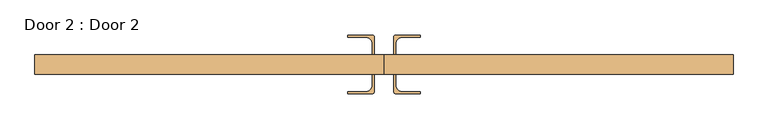
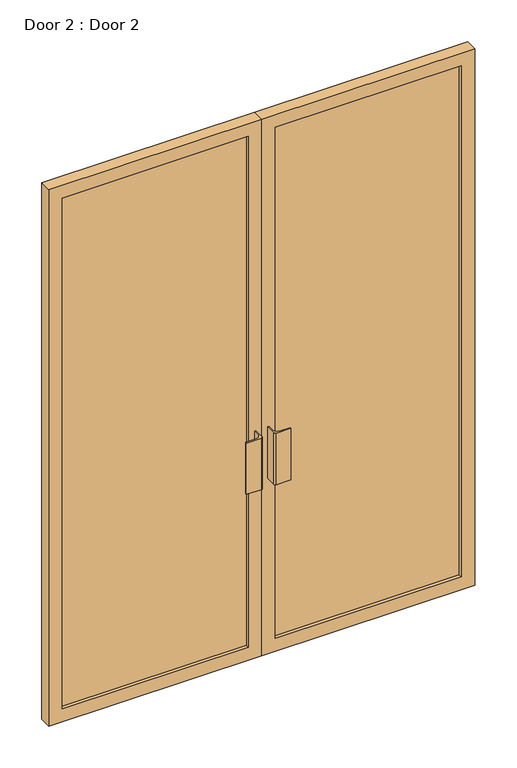
"""IFC4 building model written with IfcOpenShell, lengths in millimetres: door geometry, Door 2 : Door 2."""

from ifc_helpers import new_model, si_unit, point, frame, frame_2d, origin, place, context, project, spatial, polyline, circle_curve, trimmed, segment, composite_curve, outline, extrude, source, transform, mapped, element, save


def door_2_door_2_3514ee9d(model_context):
    return source(origin(), model_context, "Body", "SweptSolid", [
        extrude(outline(composite_curve([segment(polyline([(-25.0, 25.0), (-30.5, 25.0), (-30.5, 52.5)]), True, "CONTINUOUS"), segment(trimmed(circle_curve(frame_2d((-48.5, 52.5)), 18.0), [point((-30.5, 52.5))], [point((-48.5, 70.5))], True, "CARTESIAN"), True, "CONTINUOUS"), segment(polyline([(-48.5, 70.5), (-94.0, 70.5), (-94.0, 76.0), (-31.0, 76.0)]), True, "CONTINUOUS"), segment(trimmed(circle_curve(frame_2d((-31.0, 70.0)), 6.0), [point((-31.0, 76.0))], [point((-25.0, 70.0))], False, "CARTESIAN"), True, "CONTINUOUS"), segment(polyline([(-25.0, 70.0), (-25.0, 25.0)]), True, "CONTINUOUS")], self_intersect=False)), frame((0.0, 0.0, 785.0), z_axis=(0.0, 0.0, 1.0), x_axis=(1.0, 0.0, 0.0)), (0.0, 0.0, 1.0), 230.0),
        extrude(outline(composite_curve([segment(polyline([(-25.0, -25.0), (-25.0, -70.0)]), True, "CONTINUOUS"), segment(trimmed(circle_curve(frame_2d((-31.0, -70.0)), 6.0), [point((-25.0, -70.0))], [point((-31.0, -76.0))], False, "CARTESIAN"), True, "CONTINUOUS"), segment(polyline([(-31.0, -76.0), (-94.0, -76.0), (-94.0, -70.5), (-48.5, -70.5)]), True, "CONTINUOUS"), segment(trimmed(circle_curve(frame_2d((-48.5, -52.5)), 18.0), [point((-48.5, -70.5))], [point((-30.5, -52.5))], True, "CARTESIAN"), True, "CONTINUOUS"), segment(polyline([(-30.5, -52.5), (-30.5, -25.0), (-25.0, -25.0)]), True, "CONTINUOUS")], self_intersect=False)), frame((0.0, 0.0, 785.0), z_axis=(0.0, 0.0, 1.0), x_axis=(1.0, 0.0, 0.0)), (0.0, 0.0, 1.0), 230.0),
        extrude(outline(composite_curve([segment(polyline([(25.0, 25.0), (25.0, 70.0)]), True, "CONTINUOUS"), segment(trimmed(circle_curve(frame_2d((31.0, 70.0)), 6.0), [point((25.0, 70.0))], [point((31.0, 76.0))], False, "CARTESIAN"), True, "CONTINUOUS"), segment(polyline([(31.0, 76.0), (94.0, 76.0), (94.0, 70.5), (48.5, 70.5)]), True, "CONTINUOUS"), segment(trimmed(circle_curve(frame_2d((48.5, 52.5)), 18.0), [point((48.5, 70.5))], [point((30.5, 52.5))], True, "CARTESIAN"), True, "CONTINUOUS"), segment(polyline([(30.5, 52.5), (30.5, 25.0), (25.0, 25.0)]), True, "CONTINUOUS")], self_intersect=False)), frame((0.0, 0.0, 785.0), z_axis=(0.0, 0.0, 1.0), x_axis=(1.0, 0.0, 0.0)), (0.0, 0.0, 1.0), 230.0),
        extrude(outline(composite_curve([segment(polyline([(25.0, -25.0), (30.5, -25.0), (30.5, -52.5)]), True, "CONTINUOUS"), segment(trimmed(circle_curve(frame_2d((48.5, -52.5)), 18.0), [point((30.5, -52.5))], [point((48.5, -70.5))], True, "CARTESIAN"), True, "CONTINUOUS"), segment(polyline([(48.5, -70.5), (94.0, -70.5), (94.0, -76.0), (31.0, -76.0)]), True, "CONTINUOUS"), segment(trimmed(circle_curve(frame_2d((31.0, -70.0)), 6.0), [point((31.0, -76.0))], [point((25.0, -70.0))], False, "CARTESIAN"), True, "CONTINUOUS"), segment(polyline([(25.0, -70.0), (25.0, -25.0)]), True, "CONTINUOUS")], self_intersect=False)), frame((0.0, 0.0, 785.0), z_axis=(0.0, 0.0, 1.0), x_axis=(1.0, 0.0, 0.0)), (0.0, 0.0, 1.0), 230.0),
        extrude(outline(polyline([(2400.3, 901.7), (2400.3, 0.0), (0.0, 0.0), (0.0, 901.7), (2400.3, 901.7)]), holes=[polyline([(2343.15, 844.55), (57.15, 844.55), (57.15, 56.94375), (2343.15, 56.94375), (2343.15, 844.55)])]), frame((0.0, -25.0, 0.0), z_axis=(0.0, 1.0, 0.0), x_axis=(0.0, 0.0, 1.0)), (0.0, 0.0, 1.0), 50.0),
        extrude(outline(polyline([(844.55, -10.0), (56.94375, -10.0), (56.94375, 10.0), (844.55, 10.0), (844.55, -10.0)])), frame((0.0, 0.0, 57.15), z_axis=(0.0, 0.0, 1.0), x_axis=(1.0, 0.0, 0.0)), (0.0, 0.0, 1.0), 2286.0),
        extrude(outline(polyline([(-56.94375, -10.0), (-844.55, -10.0), (-844.55, 10.0), (-56.94375, 10.0), (-56.94375, -10.0)])), frame((0.0, 0.0, 57.15), z_axis=(0.0, 0.0, 1.0), x_axis=(1.0, 0.0, 0.0)), (0.0, 0.0, 1.0), 2286.0),
        extrude(outline(polyline([(2400.3, 0.0), (2400.3, -901.7), (0.0, -901.7), (0.0, 0.0), (2400.3, 0.0)]), holes=[polyline([(2343.15, -844.55), (2343.15, -56.94375), (57.15, -56.94375), (57.15, -844.55), (2343.15, -844.55)])]), frame((0.0, -25.0, 0.0), z_axis=(0.0, 1.0, 0.0), x_axis=(0.0, 0.0, 1.0)), (0.0, 0.0, 1.0), 50.0),
    ])


if __name__ == "__main__":
    model = new_model("IFC4")
    model_context = context("Model", 3, world=origin())
    ifc_project = project(units=[si_unit("LENGTHUNIT", "METRE", prefix="MILLI")], contexts=[model_context])
    site = spatial("IfcSite", under=ifc_project)
    building = spatial("IfcBuilding", under=site)
    placement = place(None, origin())
    door_2_door_2_shape = door_2_door_2_3514ee9d(model_context)
    element("IfcDoor", 1, ObjectType="Door 2 : Door 2", at=placement, inside=building, context=model_context, shape_type="MappedRepresentation", body=[
        mapped(door_2_door_2_shape, transform((0.0, 0.0, 0.0), x_axis=(1.0, 0.0, 0.0), y_axis=(0.0, 1.0, 0.0), z_axis=(0.0, 0.0, 1.0))),
    ])
    save(model, "model.ifc")
